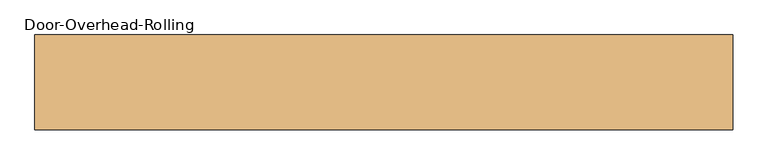
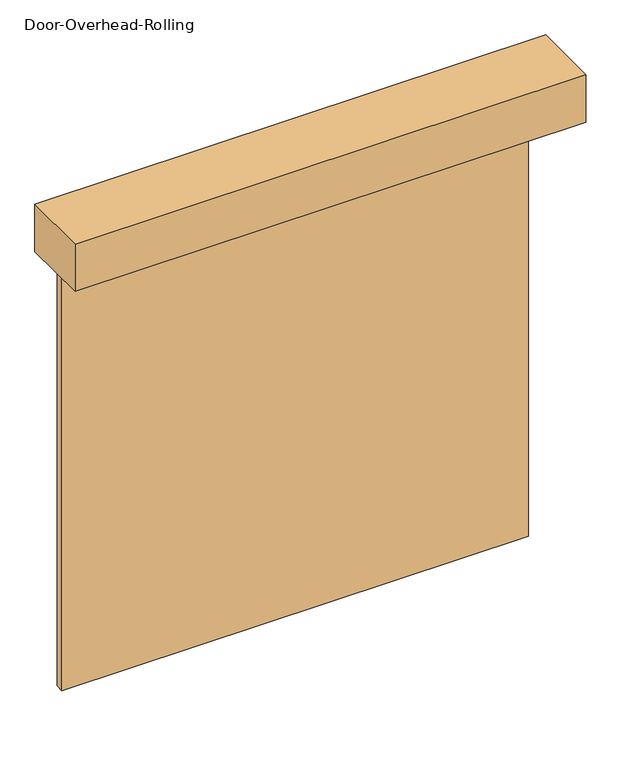
"""IFC4 building model written with IfcOpenShell, lengths in millimetres: door geometry, Door-Overhead-Rolling."""

from ifc_helpers import new_model, si_unit, frame, origin, origin_with_axes, place, context, project, spatial, polyline, outline, extrude, source, transform, mapped, element, save


def door_overhead_rolling_cd9f0af1(model_context):
    return source(origin(), model_context, "Body", "SweptSolid", [
        extrude(outline(polyline([(2336.8, -787.4), (-2336.8, -787.4), (-2336.8, -152.4), (2336.8, -152.4), (2336.8, -787.4)])), frame((0.0, 0.0, 4267.2), z_axis=(0.0, 0.0, 1.0), x_axis=(1.0, 0.0, 0.0)), (0.0, 0.0, 1.0), 457.2),
        extrude(outline(polyline([(2133.6, -152.4), (2133.6, -228.6), (-2133.6, -228.6), (-2133.6, -152.4), (2133.6, -152.4)])), origin_with_axes(), (0.0, 0.0, 1.0), 4267.2),
    ])


if __name__ == "__main__":
    model = new_model("IFC4")
    model_context = context("Model", 3, world=origin())
    ifc_project = project(units=[si_unit("LENGTHUNIT", "METRE", prefix="MILLI")], contexts=[model_context])
    site = spatial("IfcSite", under=ifc_project)
    building = spatial("IfcBuilding", under=site)
    placement = place(None, origin())
    door_overhead_rolling_shape = door_overhead_rolling_cd9f0af1(model_context)
    element("IfcDoor", 1, ObjectType="Door-Overhead-Rolling", at=placement, inside=building, context=model_context, shape_type="MappedRepresentation", body=[
        mapped(door_overhead_rolling_shape, transform((0.0, 0.0, 0.0), x_axis=(1.0, 0.0, 0.0), y_axis=(0.0, 1.0, 0.0), z_axis=(0.0, 0.0, 1.0))),
    ])
    save(model, "model.ifc")
